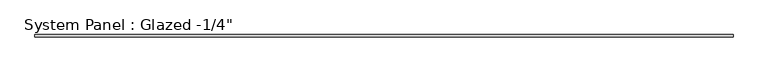
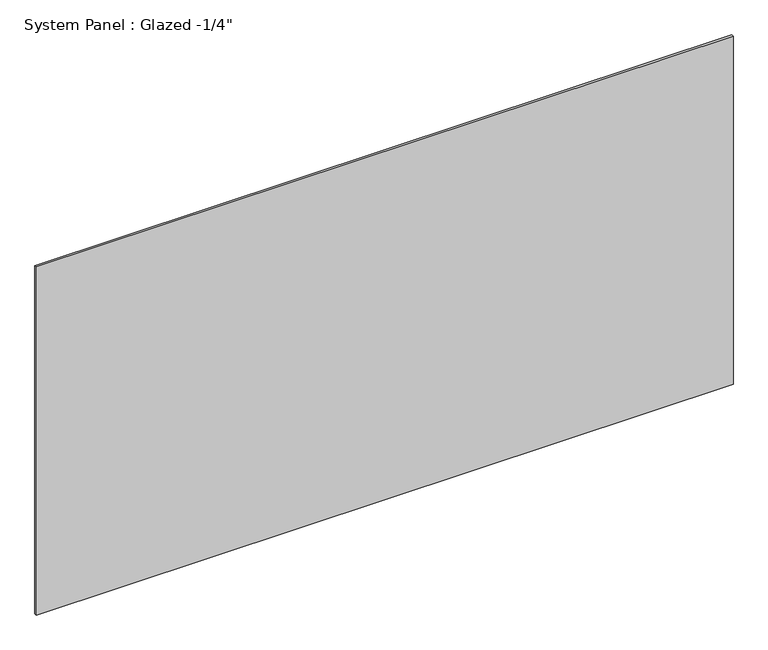
"""IFC4 building model written with IfcOpenShell, lengths in millimetres: plate geometry."""

from ifc_helpers import new_model, si_unit, origin, origin_with_axes, place, context, project, spatial, polyline, outline, extrude, source, transform, mapped, element, save


def plate_9cc73024(model_context):
    return source(origin(), model_context, "Body", "SweptSolid", [
        extrude(outline(polyline([(984.2508325, 24.8046875), (-984.2508325, 24.8046875), (-984.2508325, 31.1546875), (984.2508325, 31.1546875), (984.2508325, 24.8046875)])), origin_with_axes(), (0.0, 0.0, 1.0), 1039.4893215),
    ])


if __name__ == "__main__":
    model = new_model("IFC4")
    model_context = context("Model", 3, world=origin())
    ifc_project = project(units=[si_unit("LENGTHUNIT", "METRE", prefix="MILLI")], contexts=[model_context])
    site = spatial("IfcSite", under=ifc_project)
    building = spatial("IfcBuilding", under=site)
    placement = place(None, origin())
    plate_shape = plate_9cc73024(model_context)
    element("IfcPlate", 1, ObjectType="System Panel : Glazed -1/4\"", at=placement, inside=building, context=model_context, shape_type="MappedRepresentation", body=[
        mapped(plate_shape, transform((0.0, 0.0, 0.0), x_axis=(1.0, 0.0, 0.0), y_axis=(0.0, 1.0, 0.0), z_axis=(0.0, 0.0, 1.0))),
    ])
    save(model, "model.ifc")
